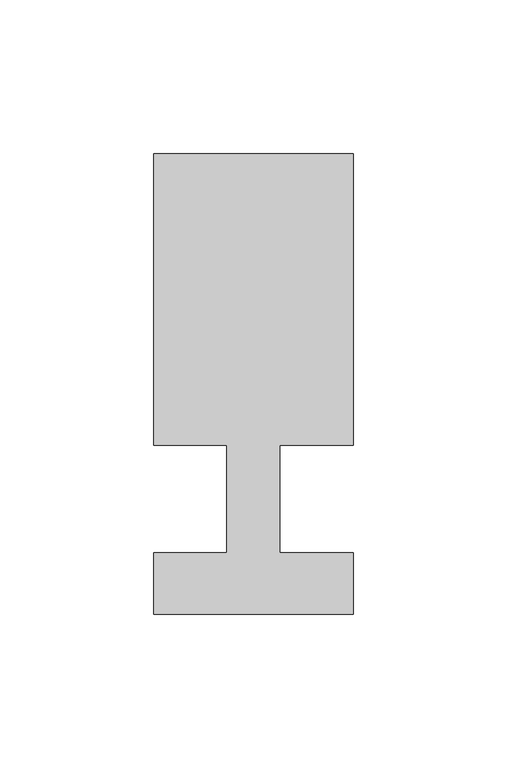
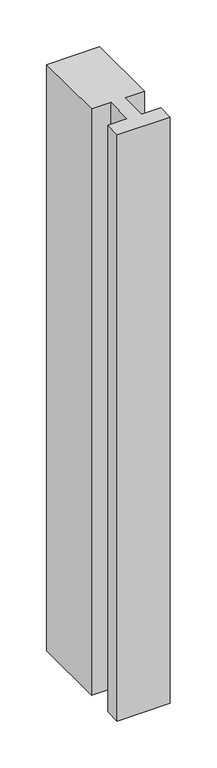
"""IFC4 building model written with IfcOpenShell, lengths in millimetres: member geometry."""

import ifcopenshell
import ifcopenshell.guid

model = None  # the IFC model being written
_history = None  # IfcOwnerHistory: only IFC2X3 demands one
_inside = {}  # id of a spatial element -> (the spatial element, [elements in it])
_under = {}  # id of a project, library or spatial element -> (it, [spatial elements below it])
_declared = {}  # id of a project -> (the project, [libraries it declares])
_typed = {}  # id of a type object -> (the type object, [elements of that type])
_made_of = {}  # id of a material, layer set ... -> (it, [elements and type objects made of it])


def new_model(schema):
    """Start an empty IFC model of exactly this schema.

    Asked for "IFC4X3", IfcOpenShell would pick the latest addendum, in which some entities
    have other attributes; the version numbers below select the first issue.
    IFC2X3 requires an IfcOwnerHistory on every rooted entity: one is made here for all.
    """
    global model, _history
    if schema == "IFC4X3":
        model = ifcopenshell.file(schema_version=(4, 3, 0, 0))
    else:
        model = ifcopenshell.file(schema=schema)
    _inside.clear()
    _under.clear()
    _declared.clear()
    _typed.clear()
    _made_of.clear()
    _history = None
    if model.schema == "IFC2X3":
        org = make("IfcOrganization", Name="unknown")
        user = make(
            "IfcPersonAndOrganization",
            ThePerson=make("IfcPerson", FamilyName="unknown"),
            TheOrganization=org,
        )
        app = make(
            "IfcApplication",
            ApplicationDeveloper=org,
            Version="unknown",
            ApplicationFullName="unknown",
            ApplicationIdentifier="unknown",
        )
        _history = make(
            "IfcOwnerHistory",
            OwningUser=user,
            OwningApplication=app,
            ChangeAction="ADDED",
            CreationDate=0,
        )
    return model


def make(cls, **values):
    """One entity of the class cls with the attributes given. An attribute that is None is left unset."""
    return model.create_entity(
        cls, **{name: value for name, value in values.items() if value is not None}
    )


def rooted(cls, **values):
    """An entity with a GlobalId (a new one), such as an element, a storey or a relation."""
    return make(cls, GlobalId=ifcopenshell.guid.new(), OwnerHistory=_history, **values)


def si_unit(unit_type, name, prefix=None):
    """IfcSIUnit, for example si_unit("LENGTHUNIT", "METRE", prefix="MILLI")."""
    return make("IfcSIUnit", UnitType=unit_type, Prefix=prefix, Name=name)


def assignment(units):
    """IfcUnitAssignment: the units of a project."""
    return None if units is None else make("IfcUnitAssignment", Units=units)


def point(xyz):
    """IfcCartesianPoint."""
    return None if xyz is None else make("IfcCartesianPoint", Coordinates=xyz)


def direction(xyz):
    """IfcDirection."""
    return None if xyz is None else make("IfcDirection", DirectionRatios=xyz)


def frame(location, z_axis=None, x_axis=None):
    """IfcAxis2Placement3D, a coordinate frame: its origin and axes. An axis left out is left unset."""
    return make(
        "IfcAxis2Placement3D",
        Location=point(location),
        Axis=direction(z_axis),
        RefDirection=direction(x_axis),
    )


def origin():
    """The frame at (0, 0, 0) with its axes left unset."""
    return frame((0.0, 0.0, 0.0))


def place(relative_to, where):
    """IfcLocalPlacement: puts the frame where relative to a parent placement (None: the world)."""
    return make(
        "IfcLocalPlacement", PlacementRelTo=relative_to, RelativePlacement=where
    )


def context(
    kind, dimensions, precision=None, world=None, true_north=None, identifier=None
):
    """IfcGeometricRepresentationContext, for example the 3D "Model" context."""
    return make(
        "IfcGeometricRepresentationContext",
        ContextIdentifier=identifier,
        ContextType=kind,
        CoordinateSpaceDimension=dimensions,
        Precision=precision,
        WorldCoordinateSystem=world,
        TrueNorth=true_north,
    )


def project(units=None, contexts=None):
    """IfcProject with its units and contexts."""
    return rooted(
        "IfcProject",
        Name="project",
        RepresentationContexts=contexts,
        UnitsInContext=assignment(units),
    )


def spatial(cls, under=None, at=None, **own):
    """A site, building, storey or space (cls), placed at a placement, below another one or the project."""
    s = rooted(cls, ObjectPlacement=at, **own)
    if under is not None:
        _under.setdefault(under.id(), (under, []))[1].append(s)
    return s


def polyline(points):
    """IfcPolyline through the points."""
    return make("IfcPolyline", Points=[point(p) for p in points])


def outline(outer, holes=None, kind="AREA"):
    """IfcArbitraryClosedProfileDef: a profile drawn as a closed curve; with holes, ...WithVoids."""
    if holes is None:
        return make("IfcArbitraryClosedProfileDef", ProfileType=kind, OuterCurve=outer)
    return make(
        "IfcArbitraryProfileDefWithVoids",
        ProfileType=kind,
        OuterCurve=outer,
        InnerCurves=holes,
    )


def extrude(swept, where, along, depth):
    """IfcExtrudedAreaSolid: the profile swept, set in the frame where, extruded along a direction by depth."""
    return make(
        "IfcExtrudedAreaSolid",
        SweptArea=swept,
        Position=where,
        ExtrudedDirection=direction(along),
        Depth=depth,
    )


def shape(context_of_items, identifier, shape_type, items):
    """IfcShapeRepresentation: the items that make up one representation, for example the "Body"."""
    return make(
        "IfcShapeRepresentation",
        ContextOfItems=context_of_items,
        RepresentationIdentifier=identifier,
        RepresentationType=shape_type,
        Items=items,
    )


def source(mapping_origin, context_of_items, identifier, shape_type, items):
    """IfcRepresentationMap: a shape defined once, which mapped items show again and again."""
    return make(
        "IfcRepresentationMap",
        MappingOrigin=mapping_origin,
        MappedRepresentation=shape(context_of_items, identifier, shape_type, items),
    )


def transform(
    local_origin,
    x_axis=None,
    y_axis=None,
    z_axis=None,
    scale=None,
    scale2=None,
    scale3=None,
    uniform=True,
):
    """IfcCartesianTransformationOperator3D, or its non-uniform kind. x_axis, y_axis, z_axis: its Axis1, 2, 3."""
    if uniform:
        return make(
            "IfcCartesianTransformationOperator3D",
            Axis1=direction(x_axis),
            Axis2=direction(y_axis),
            LocalOrigin=point(local_origin),
            Scale=scale,
            Axis3=direction(z_axis),
        )
    return make(
        "IfcCartesianTransformationOperator3DnonUniform",
        Axis1=direction(x_axis),
        Axis2=direction(y_axis),
        LocalOrigin=point(local_origin),
        Scale=scale,
        Axis3=direction(z_axis),
        Scale2=scale2,
        Scale3=scale3,
    )


def mapped(mapping_source, mapping_target):
    """IfcMappedItem: shows the shape of a source again, moved by a transform."""
    return make(
        "IfcMappedItem", MappingSource=mapping_source, MappingTarget=mapping_target
    )


def made_of(thing, what):
    """Note that an element or type object is made of a material, layer set ...; save() writes the relation."""
    if what is not None:
        _made_of.setdefault(what.id(), (what, []))[1].append(thing)
    return thing


def element(
    cls,
    number,
    at=None,
    inside=None,
    cuts=None,
    type_object=None,
    material=None,
    context=None,
    identifier="Body",
    shape_type=None,
    held_by="IfcProductDefinitionShape",
    body=None,
    shapes=None,
    **own,
):
    """One element of the class cls, such as IfcWall. Its Tag is "e" and its number.

    at: its placement. inside: the storey or other place that contains it. cuts: it is an
    opening in that element (IfcRelVoidsElement). A single representation is given by context,
    identifier, shape_type and body (its items); several are given by shapes. held_by: the class
    of the entity that holds the representations. save() writes the other relations.
    """
    e = rooted(cls, Tag="e%d" % number, ObjectPlacement=at, **own)
    if body is not None:
        shapes = [shape(context, identifier, shape_type, body)]
    if shapes is not None:
        e.Representation = make(held_by, Representations=shapes)
    if inside is not None:
        _inside.setdefault(inside.id(), (inside, []))[1].append(e)
    if cuts is not None:
        rooted(
            "IfcRelVoidsElement", RelatingBuildingElement=cuts, RelatedOpeningElement=e
        )
    if type_object is not None:
        _typed.setdefault(type_object.id(), (type_object, []))[1].append(e)
    return made_of(e, material)


def aggregate(whole, parts):
    """IfcRelAggregates: a whole, such as a stair, and the parts it consists of."""
    return rooted("IfcRelAggregates", RelatingObject=whole, RelatedObjects=parts)


def save(model, path):
    """Write the relations noted so far, then the file.

    IfcRelAggregates (storeys below a building ...), IfcRelContainedInSpatialStructure (elements
    in a storey), IfcRelDefinesByType, IfcRelAssociatesMaterial and IfcRelDeclares: one each for
    every whole, place, type object, material and project.
    """
    for whole, parts in _under.values():
        aggregate(whole, parts)
    for where, things in _inside.values():
        rooted(
            "IfcRelContainedInSpatialStructure",
            RelatedElements=things,
            RelatingStructure=where,
        )
    for kind, things in _typed.values():
        rooted("IfcRelDefinesByType", RelatedObjects=things, RelatingType=kind)
    for what, things in _made_of.values():
        rooted("IfcRelAssociatesMaterial", RelatedObjects=things, RelatingMaterial=what)
    for by, libraries in _declared.values():
        rooted("IfcRelDeclares", RelatingContext=by, RelatedDefinitions=libraries)
    model.write(path)


def member_fc4c5de9(model_context):
    return source(origin(), model_context, "Body", "SweptSolid", [
        extrude(outline(polyline([(0.0, -37.0), (-65.0, -37.0), (-65.0, -17.0), (-41.1875, -17.0), (-41.1875, 18.0), (-65.0, 18.0), (-65.0, 113.0), (0.0, 113.0), (0.0, 18.0), (-23.8125, 18.0), (-23.8125, -17.0), (0.0, -17.0), (0.0, -37.0)])), frame((0.0, 0.0, -761.6666667), z_axis=(0.0, 0.0, 1.0), x_axis=(1.0, 0.0, 0.0)), (0.0, 0.0, 1.0), 761.6666667),
    ])


if __name__ == "__main__":
    model = new_model("IFC4")
    model_context = context("Model", 3, world=origin())
    ifc_project = project(units=[si_unit("LENGTHUNIT", "METRE", prefix="MILLI")], contexts=[model_context])
    site = spatial("IfcSite", under=ifc_project)
    building = spatial("IfcBuilding", under=site)
    placement = place(None, origin())
    member_shape = member_fc4c5de9(model_context)
    element("IfcMember", 1, at=placement, inside=building, context=model_context, shape_type="MappedRepresentation", body=[
        mapped(member_shape, transform((0.0, 0.0, 0.0), x_axis=(1.0, 0.0, 0.0), y_axis=(0.0, 1.0, 0.0), z_axis=(0.0, 0.0, 1.0))),
    ])
    save(model, "model.ifc")
